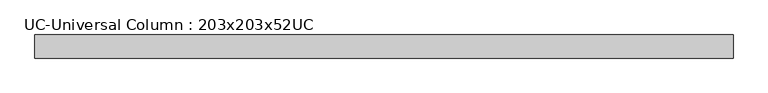
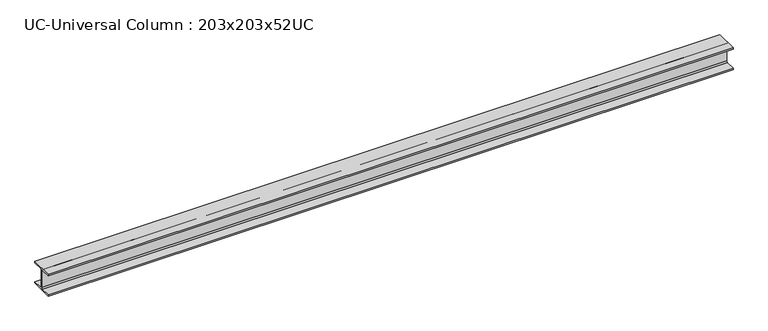
"""IFC4 building model written with IfcOpenShell, lengths in millimetres: beam geometry, UC-Universal Column : 203x203x52UC."""

from ifc_helpers import new_model, si_unit, point, frame, frame_2d, origin, place, context, project, spatial, polyline, circle_curve, trimmed, segment, composite_curve, outline, extrude, source, transform, mapped, element, save


def uc_universal_column_203x203x52uc_608117e9(model_context):
    return source(origin(), model_context, "Body", "SweptSolid", [
        extrude(outline(composite_curve([segment(polyline([(102.15, -90.6), (102.15, -103.1), (-102.15, -103.1), (-102.15, -90.6), (-14.15, -90.6)]), True, "CONTINUOUS"), segment(trimmed(circle_curve(frame_2d((-14.15, -80.4)), 10.2), [point((-14.15, -90.6))], [point((-3.95, -80.4))], True, "CARTESIAN"), True, "CONTINUOUS"), segment(polyline([(-3.95, -80.4), (-3.95, 80.4)]), True, "CONTINUOUS"), segment(trimmed(circle_curve(frame_2d((-14.15, 80.4)), 10.2), [point((-3.95, 80.4))], [point((-14.15, 90.6))], True, "CARTESIAN"), True, "CONTINUOUS"), segment(polyline([(-14.15, 90.6), (-102.15, 90.6), (-102.15, 103.1), (102.15, 103.1), (102.15, 90.6), (14.15, 90.6)]), True, "CONTINUOUS"), segment(trimmed(circle_curve(frame_2d((14.15, 80.4)), 10.2), [point((14.15, 90.6))], [point((3.95, 80.4))], True, "CARTESIAN"), True, "CONTINUOUS"), segment(polyline([(3.95, 80.4), (3.95, -80.4)]), True, "CONTINUOUS"), segment(trimmed(circle_curve(frame_2d((14.15, -80.4)), 10.2), [point((3.95, -80.4))], [point((14.15, -90.6))], True, "CARTESIAN"), True, "CONTINUOUS"), segment(polyline([(14.15, -90.6), (102.15, -90.6)]), True, "CONTINUOUS")], self_intersect=False)), frame((-3238.5, 0.0, 0.0), z_axis=(1.0, 0.0, 0.0), x_axis=(0.0, 1.0, 0.0)), (0.0, 0.0, 1.0), 6157.4686101),
    ])


if __name__ == "__main__":
    model = new_model("IFC4")
    model_context = context("Model", 3, world=origin())
    ifc_project = project(units=[si_unit("LENGTHUNIT", "METRE", prefix="MILLI")], contexts=[model_context])
    site = spatial("IfcSite", under=ifc_project)
    building = spatial("IfcBuilding", under=site)
    placement = place(None, origin())
    uc_universal_column_203x203x52uc_shape = uc_universal_column_203x203x52uc_608117e9(model_context)
    element("IfcBeam", 1, ObjectType="UC-Universal Column : 203x203x52UC", at=placement, inside=building, context=model_context, shape_type="MappedRepresentation", body=[
        mapped(uc_universal_column_203x203x52uc_shape, transform((0.0, 0.0, 0.0), x_axis=(1.0, 0.0, 0.0), y_axis=(0.0, 1.0, 0.0), z_axis=(0.0, 0.0, 1.0))),
    ])
    save(model, "model.ifc")
